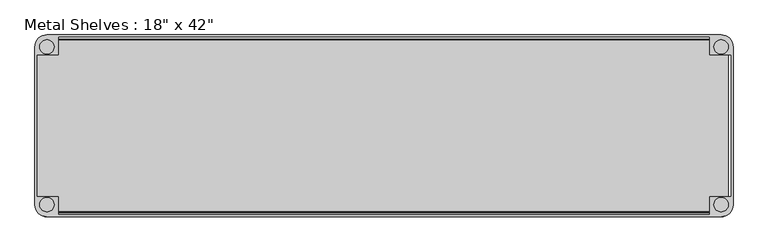
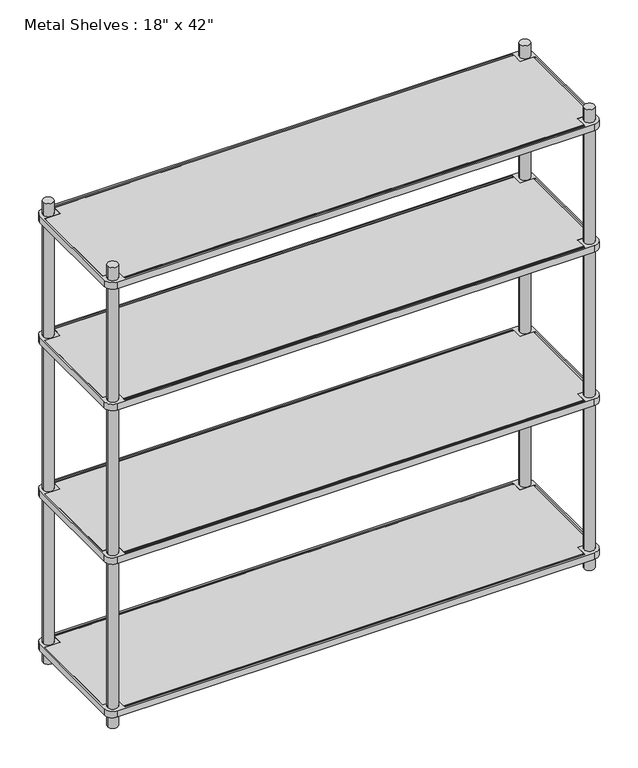
"""IFC4 building model written with IfcOpenShell, lengths in millimetres: furniture geometry."""

from ifc_helpers import new_model, si_unit, point, frame, frame_2d, origin, origin_with_axes, place, context, project, spatial, polyline, circle_curve, trimmed, segment, composite_curve, outline, extrude, source, transform, mapped, element, save


def furniture_f6b115b1(model_context):
    return source(origin(), model_context, "Body", "SweptSolid", [
        extrude(outline(polyline([(-863.6, -187.325), (-920.75, -187.325), (-920.75, 187.325), (-863.6, 187.325), (-863.6, 227.0125), (863.6, 227.0125), (863.6, 187.325), (914.4, 187.325), (914.4, -187.325), (863.6, -187.325), (863.6, -227.0125), (-863.6, -227.0125), (-863.6, -187.325)])), frame((0.0, 0.0, 1774.825), z_axis=(0.0, 0.0, 1.0), x_axis=(1.0, 0.0, 0.0)), (0.0, 0.0, 1.0), 3.175),
        extrude(outline(polyline([(-863.6, -187.325), (-920.75, -187.325), (-920.75, 187.325), (-863.6, 187.325), (-863.6, 227.0125), (863.6, 227.0125), (863.6, 187.325), (914.4, 187.325), (914.4, -187.325), (863.6, -187.325), (863.6, -227.0125), (-863.6, -227.0125), (-863.6, -187.325)])), frame((0.0, 0.0, 1292.225), z_axis=(0.0, 0.0, 1.0), x_axis=(1.0, 0.0, 0.0)), (0.0, 0.0, 1.0), 3.175),
        extrude(outline(polyline([(-863.6, -187.325), (-920.75, -187.325), (-920.75, 187.325), (-863.6, 187.325), (-863.6, 227.0125), (863.6, 227.0125), (863.6, 187.325), (914.4, 187.325), (914.4, -187.325), (863.6, -187.325), (863.6, -227.0125), (-863.6, -227.0125), (-863.6, -187.325)])), frame((0.0, 0.0, 682.625), z_axis=(0.0, 0.0, 1.0), x_axis=(1.0, 0.0, 0.0)), (0.0, 0.0, 1.0), 3.175),
        extrude(outline(polyline([(-863.6, -187.325), (-920.75, -187.325), (-920.75, 187.325), (-863.6, 187.325), (-863.6, 227.0125), (863.6, 227.0125), (863.6, 187.325), (914.4, 187.325), (914.4, -187.325), (863.6, -187.325), (863.6, -227.0125), (-863.6, -227.0125), (-863.6, -187.325)])), frame((0.0, 0.0, 73.025), z_axis=(0.0, 0.0, 1.0), x_axis=(1.0, 0.0, 0.0)), (0.0, 0.0, 1.0), 3.175),
        extrude(outline(composite_curve([segment(polyline([(927.1, 209.55), (927.1, -209.55)]), True, "CONTINUOUS"), segment(trimmed(circle_curve(frame_2d((895.35, -209.55)), 31.75), [point((927.1, -209.55))], [point((895.35, -241.3))], False, "CARTESIAN"), True, "CONTINUOUS"), segment(polyline([(895.35, -241.3), (-895.35, -241.3)]), True, "CONTINUOUS"), segment(trimmed(circle_curve(frame_2d((-895.35, -209.55)), 31.75), [point((-895.35, -241.3))], [point((-927.1, -209.55))], False, "CARTESIAN"), True, "CONTINUOUS"), segment(polyline([(-927.1, -209.55), (-927.1, 209.55)]), True, "CONTINUOUS"), segment(trimmed(circle_curve(frame_2d((-895.35, 209.55)), 31.75), [point((-927.1, 209.55))], [point((-895.35, 241.3))], False, "CARTESIAN"), True, "CONTINUOUS"), segment(polyline([(-895.35, 241.3), (895.35, 241.3)]), True, "CONTINUOUS"), segment(trimmed(circle_curve(frame_2d((895.35, 209.55)), 31.75), [point((895.35, 241.3))], [point((927.1, 209.55))], False, "CARTESIAN"), True, "CONTINUOUS")], self_intersect=False), holes=[polyline([(-863.6, 234.95), (-863.6, 187.325), (-920.75, 187.325), (-920.75, -187.325), (-863.6, -187.325), (-863.6, -234.95), (863.6, -234.95), (863.6, -187.325), (920.75, -187.325), (920.75, 187.325), (863.6, 187.325), (863.6, 234.95), (-863.6, 234.95)]), composite_curve([segment(trimmed(circle_curve(frame_2d((895.35, 209.55)), 19.05), [point((876.3, 209.55))], [point((914.4, 209.55))], True, "CARTESIAN"), True, "CONTINUOUS"), segment(trimmed(circle_curve(frame_2d((895.35, 209.55)), 19.05), [point((914.4, 209.55))], [point((876.3, 209.55))], True, "CARTESIAN"), True, "CONTINUOUS")], self_intersect=False), composite_curve([segment(trimmed(circle_curve(frame_2d((895.35, -209.55)), 19.05), [point((876.3, -209.55))], [point((914.4, -209.55))], True, "CARTESIAN"), True, "CONTINUOUS"), segment(trimmed(circle_curve(frame_2d((895.35, -209.55)), 19.05), [point((914.4, -209.55))], [point((876.3, -209.55))], True, "CARTESIAN"), True, "CONTINUOUS")], self_intersect=False), composite_curve([segment(trimmed(circle_curve(frame_2d((-895.35, -209.55)), 19.05), [point((-876.3, -209.55))], [point((-914.4, -209.55))], True, "CARTESIAN"), True, "CONTINUOUS"), segment(trimmed(circle_curve(frame_2d((-895.35, -209.55)), 19.05), [point((-914.4, -209.55))], [point((-876.3, -209.55))], True, "CARTESIAN"), True, "CONTINUOUS")], self_intersect=False), composite_curve([segment(trimmed(circle_curve(frame_2d((-895.35, 209.55)), 19.05), [point((-876.3, 209.55))], [point((-914.4, 209.55))], True, "CARTESIAN"), True, "CONTINUOUS"), segment(trimmed(circle_curve(frame_2d((-895.35, 209.55)), 19.05), [point((-914.4, 209.55))], [point((-876.3, 209.55))], True, "CARTESIAN"), True, "CONTINUOUS")], self_intersect=False)]), frame((0.0, 0.0, 660.4), z_axis=(0.0, 0.0, 1.0), x_axis=(1.0, 0.0, 0.0)), (0.0, 0.0, 1.0), 25.4),
        extrude(outline(composite_curve([segment(polyline([(-895.35, 241.3), (895.35, 241.3)]), True, "CONTINUOUS"), segment(trimmed(circle_curve(frame_2d((895.35, 209.55)), 31.75), [point((895.35, 241.3))], [point((927.1, 209.55))], False, "CARTESIAN"), True, "CONTINUOUS"), segment(polyline([(927.1, 209.55), (927.1, -209.55)]), True, "CONTINUOUS"), segment(trimmed(circle_curve(frame_2d((895.35, -209.55)), 31.75), [point((927.1, -209.55))], [point((895.35, -241.3))], False, "CARTESIAN"), True, "CONTINUOUS"), segment(polyline([(895.35, -241.3), (-895.35, -241.3)]), True, "CONTINUOUS"), segment(trimmed(circle_curve(frame_2d((-895.35, -209.55)), 31.75), [point((-895.35, -241.3))], [point((-927.1, -209.55))], False, "CARTESIAN"), True, "CONTINUOUS"), segment(polyline([(-927.1, -209.55), (-927.1, 209.55)]), True, "CONTINUOUS"), segment(trimmed(circle_curve(frame_2d((-895.35, 209.55)), 31.75), [point((-927.1, 209.55))], [point((-895.35, 241.3))], False, "CARTESIAN"), True, "CONTINUOUS")], self_intersect=False), holes=[composite_curve([segment(trimmed(circle_curve(frame_2d((-895.35, 209.55)), 19.05), [point((-876.3, 209.55))], [point((-914.4, 209.55))], True, "CARTESIAN"), True, "CONTINUOUS"), segment(trimmed(circle_curve(frame_2d((-895.35, 209.55)), 19.05), [point((-914.4, 209.55))], [point((-876.3, 209.55))], True, "CARTESIAN"), True, "CONTINUOUS")], self_intersect=False), composite_curve([segment(trimmed(circle_curve(frame_2d((-895.35, -209.55)), 19.05), [point((-876.3, -209.55))], [point((-914.4, -209.55))], True, "CARTESIAN"), True, "CONTINUOUS"), segment(trimmed(circle_curve(frame_2d((-895.35, -209.55)), 19.05), [point((-914.4, -209.55))], [point((-876.3, -209.55))], True, "CARTESIAN"), True, "CONTINUOUS")], self_intersect=False), composite_curve([segment(trimmed(circle_curve(frame_2d((895.35, 209.55)), 19.05), [point((876.3, 209.55))], [point((914.4, 209.55))], True, "CARTESIAN"), True, "CONTINUOUS"), segment(trimmed(circle_curve(frame_2d((895.35, 209.55)), 19.05), [point((914.4, 209.55))], [point((876.3, 209.55))], True, "CARTESIAN"), True, "CONTINUOUS")], self_intersect=False), composite_curve([segment(trimmed(circle_curve(frame_2d((895.35, -209.55)), 19.05), [point((876.3, -209.55))], [point((914.4, -209.55))], True, "CARTESIAN"), True, "CONTINUOUS"), segment(trimmed(circle_curve(frame_2d((895.35, -209.55)), 19.05), [point((914.4, -209.55))], [point((876.3, -209.55))], True, "CARTESIAN"), True, "CONTINUOUS")], self_intersect=False), polyline([(-863.6, 234.95), (-863.6, 187.325), (-920.75, 187.325), (-920.75, -187.325), (-863.6, -187.325), (-863.6, -234.95), (863.6, -234.95), (863.6, -187.325), (920.75, -187.325), (920.75, 187.325), (863.6, 187.325), (863.6, 234.95), (-863.6, 234.95)])]), frame((0.0, 0.0, 50.8), z_axis=(0.0, 0.0, 1.0), x_axis=(1.0, 0.0, 0.0)), (0.0, 0.0, 1.0), 25.4),
        extrude(outline(composite_curve([segment(polyline([(-927.1, -209.55), (-927.1, 209.55)]), True, "CONTINUOUS"), segment(trimmed(circle_curve(frame_2d((-895.35, 209.55)), 31.75), [point((-927.1, 209.55))], [point((-895.35, 241.3))], False, "CARTESIAN"), True, "CONTINUOUS"), segment(polyline([(-895.35, 241.3), (895.35, 241.3)]), True, "CONTINUOUS"), segment(trimmed(circle_curve(frame_2d((895.35, 209.55)), 31.75), [point((895.35, 241.3))], [point((927.1, 209.55))], False, "CARTESIAN"), True, "CONTINUOUS"), segment(polyline([(927.1, 209.55), (927.1, -209.55)]), True, "CONTINUOUS"), segment(trimmed(circle_curve(frame_2d((895.35, -209.55)), 31.75), [point((927.1, -209.55))], [point((895.35, -241.3))], False, "CARTESIAN"), True, "CONTINUOUS"), segment(polyline([(895.35, -241.3), (-895.35, -241.3)]), True, "CONTINUOUS"), segment(trimmed(circle_curve(frame_2d((-895.35, -209.55)), 31.75), [point((-895.35, -241.3))], [point((-927.1, -209.55))], False, "CARTESIAN"), True, "CONTINUOUS")], self_intersect=False), holes=[composite_curve([segment(trimmed(circle_curve(frame_2d((-895.35, -209.55)), 19.05), [point((-876.3, -209.55))], [point((-914.4, -209.55))], True, "CARTESIAN"), True, "CONTINUOUS"), segment(trimmed(circle_curve(frame_2d((-895.35, -209.55)), 19.05), [point((-914.4, -209.55))], [point((-876.3, -209.55))], True, "CARTESIAN"), True, "CONTINUOUS")], self_intersect=False), composite_curve([segment(trimmed(circle_curve(frame_2d((-895.35, 209.55)), 19.05), [point((-876.3, 209.55))], [point((-914.4, 209.55))], True, "CARTESIAN"), True, "CONTINUOUS"), segment(trimmed(circle_curve(frame_2d((-895.35, 209.55)), 19.05), [point((-914.4, 209.55))], [point((-876.3, 209.55))], True, "CARTESIAN"), True, "CONTINUOUS")], self_intersect=False), composite_curve([segment(trimmed(circle_curve(frame_2d((895.35, 209.55)), 19.05), [point((876.3, 209.55))], [point((914.4, 209.55))], True, "CARTESIAN"), True, "CONTINUOUS"), segment(trimmed(circle_curve(frame_2d((895.35, 209.55)), 19.05), [point((914.4, 209.55))], [point((876.3, 209.55))], True, "CARTESIAN"), True, "CONTINUOUS")], self_intersect=False), polyline([(-863.6, 234.95), (-863.6, 187.325), (-920.75, 187.325), (-920.75, -187.325), (-863.6, -187.325), (-863.6, -234.95), (863.6, -234.95), (863.6, -187.325), (920.75, -187.325), (920.75, 187.325), (863.6, 187.325), (863.6, 234.95), (-863.6, 234.95)]), composite_curve([segment(trimmed(circle_curve(frame_2d((895.35, -209.55)), 19.05), [point((876.3, -209.55))], [point((914.4, -209.55))], True, "CARTESIAN"), True, "CONTINUOUS"), segment(trimmed(circle_curve(frame_2d((895.35, -209.55)), 19.05), [point((914.4, -209.55))], [point((876.3, -209.55))], True, "CARTESIAN"), True, "CONTINUOUS")], self_intersect=False)]), frame((0.0, 0.0, 1270.0), z_axis=(0.0, 0.0, 1.0), x_axis=(1.0, 0.0, 0.0)), (0.0, 0.0, 1.0), 25.4),
        extrude(outline(composite_curve([segment(polyline([(-895.35, 241.3), (895.35, 241.3)]), True, "CONTINUOUS"), segment(trimmed(circle_curve(frame_2d((895.35, 209.55)), 31.75), [point((895.35, 241.3))], [point((927.1, 209.55))], False, "CARTESIAN"), True, "CONTINUOUS"), segment(polyline([(927.1, 209.55), (927.1, -209.55)]), True, "CONTINUOUS"), segment(trimmed(circle_curve(frame_2d((895.35, -209.55)), 31.75), [point((927.1, -209.55))], [point((895.35, -241.3))], False, "CARTESIAN"), True, "CONTINUOUS"), segment(polyline([(895.35, -241.3), (-895.35, -241.3)]), True, "CONTINUOUS"), segment(trimmed(circle_curve(frame_2d((-895.35, -209.55)), 31.75), [point((-895.35, -241.3))], [point((-927.1, -209.55))], False, "CARTESIAN"), True, "CONTINUOUS"), segment(polyline([(-927.1, -209.55), (-927.1, 209.55)]), True, "CONTINUOUS"), segment(trimmed(circle_curve(frame_2d((-895.35, 209.55)), 31.75), [point((-927.1, 209.55))], [point((-895.35, 241.3))], False, "CARTESIAN"), True, "CONTINUOUS")], self_intersect=False), holes=[composite_curve([segment(trimmed(circle_curve(frame_2d((895.35, -209.55)), 19.05), [point((876.3, -209.55))], [point((914.4, -209.55))], True, "CARTESIAN"), True, "CONTINUOUS"), segment(trimmed(circle_curve(frame_2d((895.35, -209.55)), 19.05), [point((914.4, -209.55))], [point((876.3, -209.55))], True, "CARTESIAN"), True, "CONTINUOUS")], self_intersect=False), composite_curve([segment(trimmed(circle_curve(frame_2d((895.35, 209.55)), 19.05), [point((876.3, 209.55))], [point((914.4, 209.55))], True, "CARTESIAN"), True, "CONTINUOUS"), segment(trimmed(circle_curve(frame_2d((895.35, 209.55)), 19.05), [point((914.4, 209.55))], [point((876.3, 209.55))], True, "CARTESIAN"), True, "CONTINUOUS")], self_intersect=False), composite_curve([segment(trimmed(circle_curve(frame_2d((-895.35, -209.55)), 19.05), [point((-876.3, -209.55))], [point((-914.4, -209.55))], True, "CARTESIAN"), True, "CONTINUOUS"), segment(trimmed(circle_curve(frame_2d((-895.35, -209.55)), 19.05), [point((-914.4, -209.55))], [point((-876.3, -209.55))], True, "CARTESIAN"), True, "CONTINUOUS")], self_intersect=False), polyline([(920.75, 187.325), (863.6, 187.325), (863.6, 234.95), (-863.6, 234.95), (-863.6, 187.325), (-920.75, 187.325), (-920.75, -187.325), (-863.6, -187.325), (-863.6, -234.95), (863.6, -234.95), (863.6, -187.325), (920.75, -187.325), (920.75, 187.325)]), composite_curve([segment(trimmed(circle_curve(frame_2d((-895.35, 209.55)), 19.05), [point((-876.3, 209.55))], [point((-914.4, 209.55))], True, "CARTESIAN"), True, "CONTINUOUS"), segment(trimmed(circle_curve(frame_2d((-895.35, 209.55)), 19.05), [point((-914.4, 209.55))], [point((-876.3, 209.55))], True, "CARTESIAN"), True, "CONTINUOUS")], self_intersect=False)]), frame((0.0, 0.0, 1752.6), z_axis=(0.0, 0.0, 1.0), x_axis=(1.0, 0.0, 0.0)), (0.0, 0.0, 1.0), 25.4),
        extrude(outline(composite_curve([segment(trimmed(circle_curve(frame_2d((-228.6, 1776.4125)), 1.5875), [point((-227.0125, 1776.4125))], [point((-230.1875, 1776.4125))], False, "CARTESIAN"), True, "CONTINUOUS"), segment(trimmed(circle_curve(frame_2d((-228.6, 1776.4125)), 1.5875), [point((-230.1875, 1776.4125))], [point((-227.0125, 1776.4125))], False, "CARTESIAN"), True, "CONTINUOUS")], self_intersect=False)), frame((-863.6, 0.0, 0.0), z_axis=(1.0, 0.0, 0.0), x_axis=(0.0, 1.0, 0.0)), (0.0, 0.0, 1.0), 1727.2),
        extrude(outline(composite_curve([segment(trimmed(circle_curve(frame_2d((228.6, 1776.4125)), 1.5875), [point((230.1875, 1776.4125))], [point((227.0125, 1776.4125))], False, "CARTESIAN"), True, "CONTINUOUS"), segment(trimmed(circle_curve(frame_2d((228.6, 1776.4125)), 1.5875), [point((227.0125, 1776.4125))], [point((230.1875, 1776.4125))], False, "CARTESIAN"), True, "CONTINUOUS")], self_intersect=False)), frame((-863.6, 0.0, 0.0), z_axis=(1.0, 0.0, 0.0), x_axis=(0.0, 1.0, 0.0)), (0.0, 0.0, 1.0), 1727.2),
        extrude(outline(composite_curve([segment(trimmed(circle_curve(frame_2d((-228.6, 1293.8125)), 1.5875), [point((-227.0125, 1293.8125))], [point((-230.1875, 1293.8125))], False, "CARTESIAN"), True, "CONTINUOUS"), segment(trimmed(circle_curve(frame_2d((-228.6, 1293.8125)), 1.5875), [point((-230.1875, 1293.8125))], [point((-227.0125, 1293.8125))], False, "CARTESIAN"), True, "CONTINUOUS")], self_intersect=False)), frame((-863.6, 0.0, 0.0), z_axis=(1.0, 0.0, 0.0), x_axis=(0.0, 1.0, 0.0)), (0.0, 0.0, 1.0), 1727.2),
        extrude(outline(composite_curve([segment(trimmed(circle_curve(frame_2d((228.6, 1293.8125)), 1.5875), [point((230.1875, 1293.8125))], [point((227.0125, 1293.8125))], False, "CARTESIAN"), True, "CONTINUOUS"), segment(trimmed(circle_curve(frame_2d((228.6, 1293.8125)), 1.5875), [point((227.0125, 1293.8125))], [point((230.1875, 1293.8125))], False, "CARTESIAN"), True, "CONTINUOUS")], self_intersect=False)), frame((-863.6, 0.0, 0.0), z_axis=(1.0, 0.0, 0.0), x_axis=(0.0, 1.0, 0.0)), (0.0, 0.0, 1.0), 1727.2),
        extrude(outline(composite_curve([segment(trimmed(circle_curve(frame_2d((-228.6, 684.2125)), 1.5875), [point((-227.0125, 684.2125))], [point((-230.1875, 684.2125))], False, "CARTESIAN"), True, "CONTINUOUS"), segment(trimmed(circle_curve(frame_2d((-228.6, 684.2125)), 1.5875), [point((-230.1875, 684.2125))], [point((-227.0125, 684.2125))], False, "CARTESIAN"), True, "CONTINUOUS")], self_intersect=False)), frame((-863.6, 0.0, 0.0), z_axis=(1.0, 0.0, 0.0), x_axis=(0.0, 1.0, 0.0)), (0.0, 0.0, 1.0), 1727.2),
        extrude(outline(composite_curve([segment(trimmed(circle_curve(frame_2d((228.6, 684.2125)), 1.5875), [point((230.1875, 684.2125))], [point((227.0125, 684.2125))], False, "CARTESIAN"), True, "CONTINUOUS"), segment(trimmed(circle_curve(frame_2d((228.6, 684.2125)), 1.5875), [point((227.0125, 684.2125))], [point((230.1875, 684.2125))], False, "CARTESIAN"), True, "CONTINUOUS")], self_intersect=False)), frame((-863.6, 0.0, 0.0), z_axis=(1.0, 0.0, 0.0), x_axis=(0.0, 1.0, 0.0)), (0.0, 0.0, 1.0), 1727.2),
        extrude(outline(composite_curve([segment(trimmed(circle_curve(frame_2d((-228.6, 74.6125)), 1.5875), [point((-227.0125, 74.6125))], [point((-230.1875, 74.6125))], False, "CARTESIAN"), True, "CONTINUOUS"), segment(trimmed(circle_curve(frame_2d((-228.6, 74.6125)), 1.5875), [point((-230.1875, 74.6125))], [point((-227.0125, 74.6125))], False, "CARTESIAN"), True, "CONTINUOUS")], self_intersect=False)), frame((-863.6, 0.0, 0.0), z_axis=(1.0, 0.0, 0.0), x_axis=(0.0, 1.0, 0.0)), (0.0, 0.0, 1.0), 1727.2),
        extrude(outline(composite_curve([segment(trimmed(circle_curve(frame_2d((228.6, 74.6125)), 1.5875), [point((230.1875, 74.6125))], [point((227.0125, 74.6125))], False, "CARTESIAN"), True, "CONTINUOUS"), segment(trimmed(circle_curve(frame_2d((228.6, 74.6125)), 1.5875), [point((227.0125, 74.6125))], [point((230.1875, 74.6125))], False, "CARTESIAN"), True, "CONTINUOUS")], self_intersect=False)), frame((-863.6, 0.0, 0.0), z_axis=(1.0, 0.0, 0.0), x_axis=(0.0, 1.0, 0.0)), (0.0, 0.0, 1.0), 1727.2),
        extrude(outline(composite_curve([segment(trimmed(circle_curve(frame_2d((895.35, 209.55)), 19.05), [point((914.4, 209.55))], [point((876.3, 209.55))], False, "CARTESIAN"), True, "CONTINUOUS"), segment(trimmed(circle_curve(frame_2d((895.35, 209.55)), 19.05), [point((876.3, 209.55))], [point((914.4, 209.55))], False, "CARTESIAN"), True, "CONTINUOUS")], self_intersect=False)), origin_with_axes(), (0.0, 0.0, 1.0), 1828.8),
        extrude(outline(composite_curve([segment(trimmed(circle_curve(frame_2d((-895.35, 209.55)), 19.05), [point((-914.4, 209.55))], [point((-876.3, 209.55))], False, "CARTESIAN"), True, "CONTINUOUS"), segment(trimmed(circle_curve(frame_2d((-895.35, 209.55)), 19.05), [point((-876.3, 209.55))], [point((-914.4, 209.55))], False, "CARTESIAN"), True, "CONTINUOUS")], self_intersect=False)), origin_with_axes(), (0.0, 0.0, 1.0), 1828.8),
        extrude(outline(composite_curve([segment(trimmed(circle_curve(frame_2d((895.35, -209.55)), 19.05), [point((914.4, -209.55))], [point((876.3, -209.55))], False, "CARTESIAN"), True, "CONTINUOUS"), segment(trimmed(circle_curve(frame_2d((895.35, -209.55)), 19.05), [point((876.3, -209.55))], [point((914.4, -209.55))], False, "CARTESIAN"), True, "CONTINUOUS")], self_intersect=False)), origin_with_axes(), (0.0, 0.0, 1.0), 1828.8),
        extrude(outline(composite_curve([segment(trimmed(circle_curve(frame_2d((-895.35, -209.55)), 19.05), [point((-914.4, -209.55))], [point((-876.3, -209.55))], False, "CARTESIAN"), True, "CONTINUOUS"), segment(trimmed(circle_curve(frame_2d((-895.35, -209.55)), 19.05), [point((-876.3, -209.55))], [point((-914.4, -209.55))], False, "CARTESIAN"), True, "CONTINUOUS")], self_intersect=False)), origin_with_axes(), (0.0, 0.0, 1.0), 1828.8),
    ])


if __name__ == "__main__":
    model = new_model("IFC4")
    model_context = context("Model", 3, world=origin())
    ifc_project = project(units=[si_unit("LENGTHUNIT", "METRE", prefix="MILLI")], contexts=[model_context])
    site = spatial("IfcSite", under=ifc_project)
    building = spatial("IfcBuilding", under=site)
    placement = place(None, origin())
    furniture_shape = furniture_f6b115b1(model_context)
    element("IfcFurniture", 1, ObjectType="Metal Shelves : 18\" x 42\"", at=placement, inside=building, context=model_context, shape_type="MappedRepresentation", body=[
        mapped(furniture_shape, transform((0.0, 0.0, 0.0), x_axis=(1.0, 0.0, 0.0), y_axis=(0.0, 1.0, 0.0), z_axis=(0.0, 0.0, 1.0))),
    ])
    save(model, "model.ifc")
